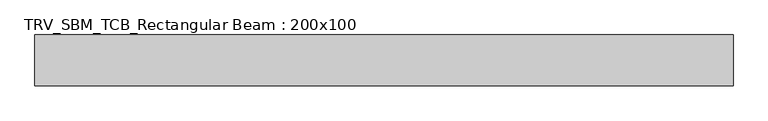
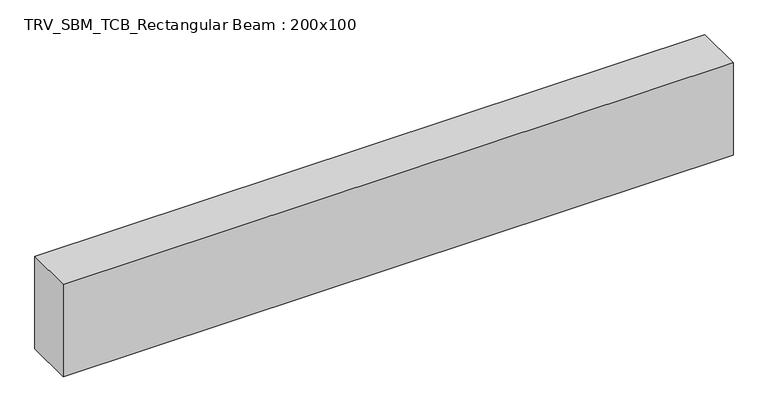
"""IFC4 building model written with IfcOpenShell, lengths in millimetres: beam geometry, TRV_SBM_TCB_Rectangular Beam : 200x100."""

from ifc_helpers import new_model, si_unit, frame, origin, place, context, project, spatial, polyline, outline, extrude, source, transform, mapped, element, save


def trv_sbm_tcb_rectangular_beam_200x100_ce6e5b2d(model_context):
    return source(origin(), model_context, "Body", "SweptSolid", [
        extrude(outline(polyline([(685.2, 50.0), (685.2, -50.0), (-685.2, -50.0), (-685.2, 50.0), (685.2, 50.0)])), frame((0.0, 0.0, -100.0), z_axis=(0.0, 0.0, 1.0), x_axis=(1.0, 0.0, 0.0)), (0.0, 0.0, 1.0), 200.0),
    ])


if __name__ == "__main__":
    model = new_model("IFC4")
    model_context = context("Model", 3, world=origin())
    ifc_project = project(units=[si_unit("LENGTHUNIT", "METRE", prefix="MILLI")], contexts=[model_context])
    site = spatial("IfcSite", under=ifc_project)
    building = spatial("IfcBuilding", under=site)
    placement = place(None, origin())
    trv_sbm_tcb_rectangular_beam_200x100_shape = trv_sbm_tcb_rectangular_beam_200x100_ce6e5b2d(model_context)
    element("IfcBeam", 1, ObjectType="TRV_SBM_TCB_Rectangular Beam : 200x100", at=placement, inside=building, context=model_context, shape_type="MappedRepresentation", body=[
        mapped(trv_sbm_tcb_rectangular_beam_200x100_shape, transform((0.0, 0.0, 0.0), x_axis=(1.0, 0.0, 0.0), y_axis=(0.0, 1.0, 0.0), z_axis=(0.0, 0.0, 1.0))),
    ])
    save(model, "model.ifc")
